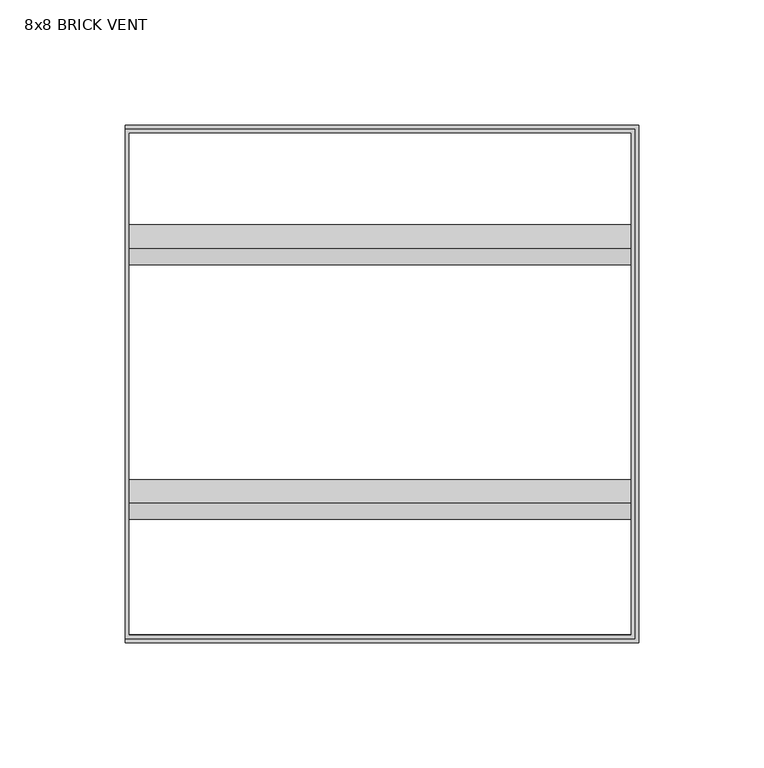
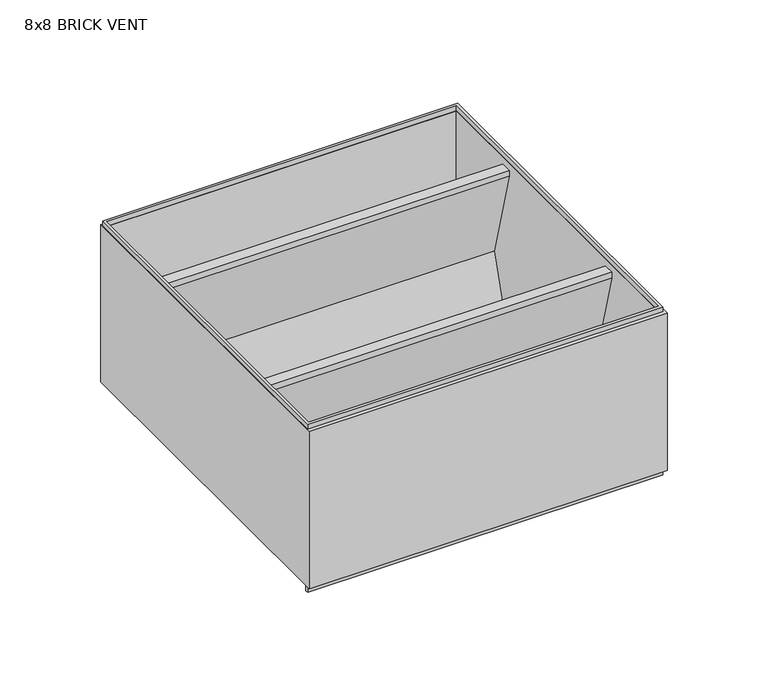
"""IFC4 building model written with IfcOpenShell, lengths in millimetres: proxy geometry, 8x8 BRICK VENT."""

from ifc_helpers import new_model, si_unit, frame, origin, place, context, project, spatial, polyline, outline, extrude, source, transform, mapped, element, save


def proxy_8x8_brick_vent_ef0d2633(model_context):
    return source(origin(), model_context, "Body", "SweptSolid", [
        extrude(outline(polyline([(53.975, -7.3025), (53.975, -8.255), (48.41875, -8.255), (48.41875, -10.63625), (63.5, -65.0875), (53.9172197, -96.2025), (47.6827803, -96.2025), (49.8706765, -90.1913045), (50.5427089, -90.6656803), (48.7585925, -95.5675), (53.3938746, -95.5675), (62.5289184, -65.0867932), (47.625, -10.8875407), (47.625, -7.3025), (53.975, -7.3025)])), frame((-100.0125, 0.0, 0.0), z_axis=(1.0, 0.0, 0.0), x_axis=(0.0, 1.0, 0.0)), (0.0, 0.0, 1.0), 200.025),
        extrude(outline(polyline([(-47.625, -7.3025), (-47.625, -8.255), (-53.18125, -8.255), (-53.18125, -10.63625), (-38.1, -65.0875), (-47.6827803, -96.2025), (-53.9172197, -96.2025), (-51.7293235, -90.1913045), (-51.0572911, -90.6656803), (-52.8414075, -95.5675), (-48.2061254, -95.5675), (-39.0710816, -65.0867932), (-53.975, -10.8875407), (-53.975, -7.3025), (-47.625, -7.3025)])), frame((-100.0125, 0.0, 0.0), z_axis=(1.0, 0.0, 0.0), x_axis=(0.0, 1.0, 0.0)), (0.0, 0.0, 1.0), 200.025),
        extrude(outline(polyline([(103.1875, 103.1875), (103.1875, -103.1875), (-101.6, -103.1875), (-101.6, 103.1875), (103.1875, 103.1875)]), holes=[polyline([(100.0125, 100.0125), (-100.0125, 100.0125), (-100.0125, -100.0125), (100.0125, -100.0125), (100.0125, 100.0125)])]), frame((0.0, 0.0, -98.425), z_axis=(0.0, 0.0, 1.0), x_axis=(1.0, 0.0, 0.0)), (0.0, 0.0, 1.0), 95.25),
        extrude(outline(polyline([(101.6, -101.6), (-101.6, -101.6), (-101.6, -100.0125), (101.6, -100.0125), (101.6, -101.6)])), frame((0.0, 0.0, -101.6), z_axis=(0.0, 0.0, 1.0), x_axis=(1.0, 0.0, 0.0)), (0.0, 0.0, 1.0), 3.175),
        extrude(outline(polyline([(101.6, 101.6), (101.6, -101.6), (-101.6, -101.6), (-101.6, 101.6), (101.6, 101.6)]), holes=[polyline([(100.0125, 100.0125), (-100.0125, 100.0125), (-100.0125, -100.0125), (100.0125, -100.0125), (100.0125, 100.0125)])]), frame((0.0, 0.0, -3.175), z_axis=(0.0, 0.0, 1.0), x_axis=(1.0, 0.0, 0.0)), (0.0, 0.0, 1.0), 3.175),
    ])


if __name__ == "__main__":
    model = new_model("IFC4")
    model_context = context("Model", 3, world=origin())
    ifc_project = project(units=[si_unit("LENGTHUNIT", "METRE", prefix="MILLI")], contexts=[model_context])
    site = spatial("IfcSite", under=ifc_project)
    building = spatial("IfcBuilding", under=site)
    placement = place(None, origin())
    proxy_8x8_brick_vent_shape = proxy_8x8_brick_vent_ef0d2633(model_context)
    element("IfcBuildingElementProxy", 1, Name="8x8 BRICK VENT", ObjectType="8x8 BRICK VENT", at=placement, inside=building, context=model_context, shape_type="MappedRepresentation", body=[
        mapped(proxy_8x8_brick_vent_shape, transform((0.0, 0.0, 0.0), x_axis=(1.0, 0.0, 0.0), y_axis=(0.0, 1.0, 0.0), z_axis=(0.0, 0.0, 1.0))),
    ])
    save(model, "model.ifc")
